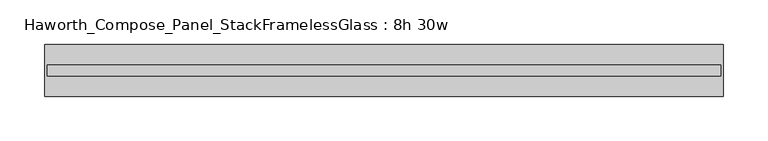
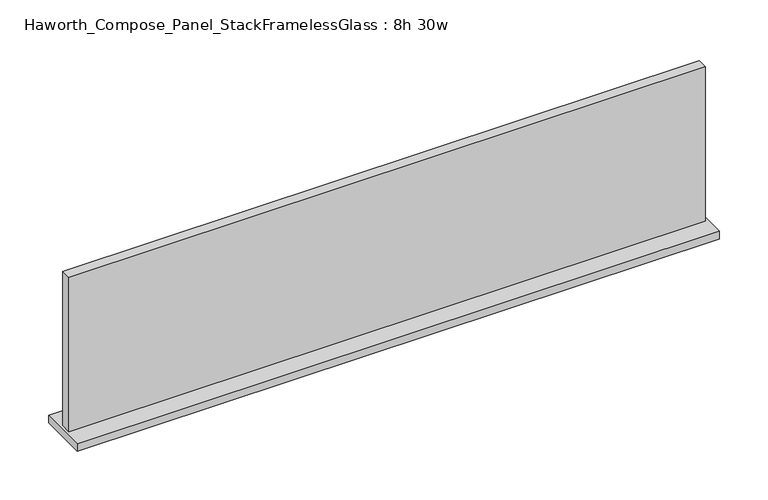
"""IFC4 building model written with IfcOpenShell, lengths in millimetres: furniture geometry, Haworth_Compose_Panel_StackFramelessGlass : 8h 30w."""

from ifc_helpers import new_model, si_unit, frame, origin, place, context, project, spatial, polyline, outline, extrude, source, transform, mapped, element, save


def haworth_compose_panel_stackframelessglass_8h_30w_1307c4a1(model_context):
    return source(origin(), model_context, "Body", "SweptSolid", [
        extrude(outline(polyline([(380.2652902, -27.3093594), (-375.3847098, -27.3093594), (-375.3847098, -14.6093594), (380.2652902, -14.6093594), (380.2652902, -27.3093594)])), frame((0.0, 0.0, 1279.525), z_axis=(0.0, 0.0, 1.0), x_axis=(1.0, 0.0, 0.0)), (0.0, 0.0, 1.0), 193.675),
        extrude(outline(polyline([(-378.5597098, -50.3281094), (-378.5597098, 8.4093906), (383.4402902, 8.4093906), (383.4402902, -50.3281094), (-378.5597098, -50.3281094)])), frame((0.0, 0.0, 1270.0), z_axis=(0.0, 0.0, 1.0), x_axis=(1.0, 0.0, 0.0)), (0.0, 0.0, 1.0), 9.525),
    ])


if __name__ == "__main__":
    model = new_model("IFC4")
    model_context = context("Model", 3, world=origin())
    ifc_project = project(units=[si_unit("LENGTHUNIT", "METRE", prefix="MILLI")], contexts=[model_context])
    site = spatial("IfcSite", under=ifc_project)
    building = spatial("IfcBuilding", under=site)
    placement = place(None, origin())
    haworth_compose_panel_stackframelessglass_8h_30w_shape = haworth_compose_panel_stackframelessglass_8h_30w_1307c4a1(model_context)
    element("IfcFurniture", 1, ObjectType="Haworth_Compose_Panel_StackFramelessGlass : 8h 30w", at=placement, inside=building, context=model_context, shape_type="MappedRepresentation", body=[
        mapped(haworth_compose_panel_stackframelessglass_8h_30w_shape, transform((0.0, 0.0, 0.0), x_axis=(1.0, 0.0, 0.0), y_axis=(0.0, 1.0, 0.0), z_axis=(0.0, 0.0, 1.0))),
    ])
    save(model, "model.ifc")
